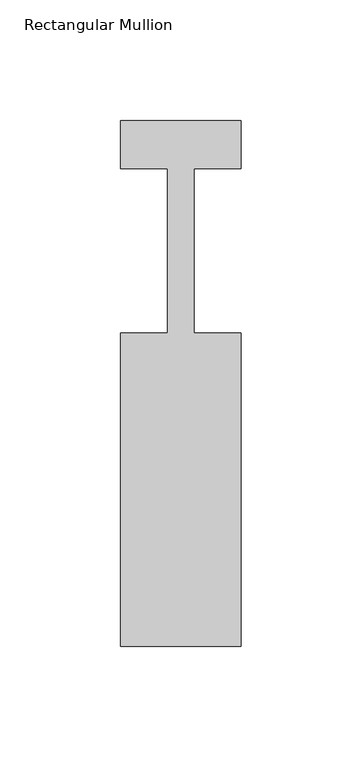
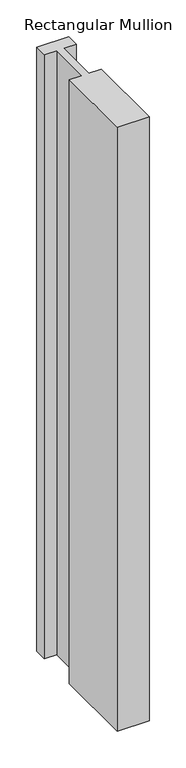
"""IFC4 building model written with IfcOpenShell, lengths in millimetres: member geometry, Rectangular Mullion."""

from ifc_helpers import new_model, si_unit, frame, origin, place, context, project, spatial, polyline, outline, extrude, source, transform, mapped, element, save


def rectangular_mullion_30e09ba4(model_context):
    return source(origin(), model_context, "Body", "SweptSolid", [
        extrude(outline(polyline([(0.0, -162.0), (-50.0, -162.0), (-50.0, -32.0), (-30.4999999, -32.0), (-30.4999999, 36.0), (-50.0, 36.0), (-50.0, 56.0), (0.0, 56.0), (0.0, 36.0), (-19.5, 36.0), (-19.5, -32.0), (0.0, -32.0), (0.0, -162.0)])), frame((0.0, 0.0, -1000.0), z_axis=(0.0, 0.0, 1.0), x_axis=(1.0, 0.0, 0.0)), (0.0, 0.0, 1.0), 1000.0),
    ])


if __name__ == "__main__":
    model = new_model("IFC4")
    model_context = context("Model", 3, world=origin())
    ifc_project = project(units=[si_unit("LENGTHUNIT", "METRE", prefix="MILLI")], contexts=[model_context])
    site = spatial("IfcSite", under=ifc_project)
    building = spatial("IfcBuilding", under=site)
    placement = place(None, origin())
    rectangular_mullion_shape = rectangular_mullion_30e09ba4(model_context)
    element("IfcMember", 1, ObjectType="Rectangular Mullion", at=placement, inside=building, context=model_context, shape_type="MappedRepresentation", body=[
        mapped(rectangular_mullion_shape, transform((0.0, 0.0, 0.0), x_axis=(1.0, 0.0, 0.0), y_axis=(0.0, 1.0, 0.0), z_axis=(0.0, 0.0, 1.0))),
    ])
    save(model, "model.ifc")
